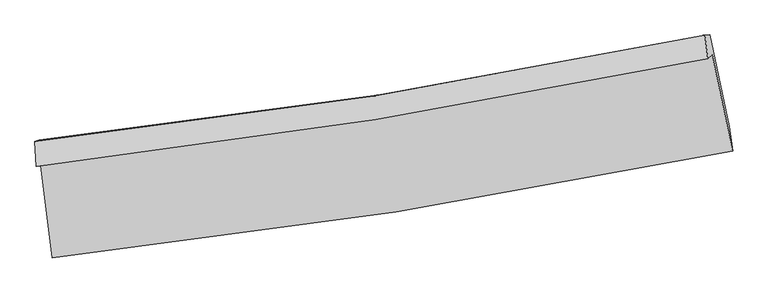
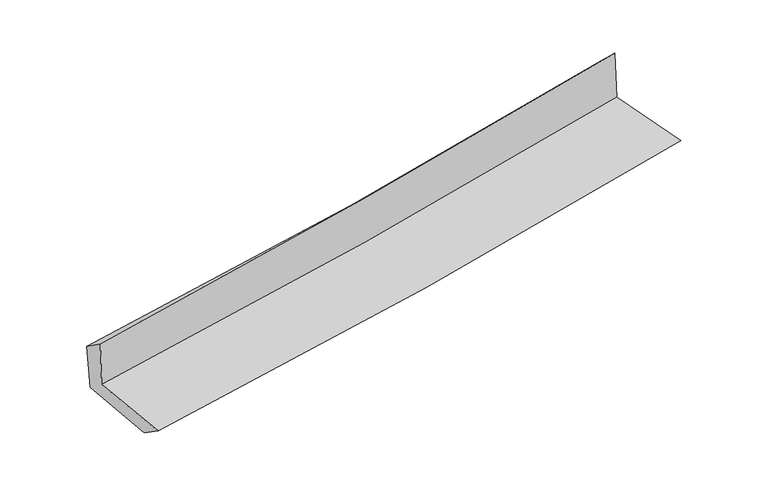
"""IFC4 building model written with IfcOpenShell, lengths in millimetres: proxy geometry."""

from ifc_helpers import new_model, si_unit, frame, origin, place, context, project, spatial, source, transform, mapped, element, save
from ifc_brep_helpers import plane_surface, spline_curve, spline_surface, advanced_brep


def generic_models_8a76d316(model_context):
    return source(origin(), model_context, "Body", "AdvancedBrep", [
        advanced_brep(
        [(-2328.2267931, -1852.7076515, 1698.6683015), (-2248.9089233, -2508.5178287, 1670.1689994), (2397.8148368, -1777.4941399, 2085.093026), (2259.0622844, -1121.3356725, 2108.8823824), (-2356.5167427, -1884.3888704, 2076.4504035), (2228.0992228, -1145.7215324, 2508.1193989), (-2366.1174496, -1712.4101448, 1951.7270378), (2208.969991, -987.7229601, 2355.6430452), (-2336.1892454, -1704.5591517, 1587.5924359), (2241.1912642, -984.5544113, 1991.4002745), (-2259.75074, -2330.4472169, 1551.6632527), (2374.5335623, -1611.3148767, 1959.7448122)],
        [
            (0, 1),
            (1, 2, spline_curve(3, [(-2248.9089233, -2508.5178287, 1670.1689994), (-1463.895978376, -2421.819333501, 1743.696846937), (-681.319617685, -2316.968261971, 1815.2789535), (867.517349853, -2072.76510359, 1953.530303241), (1633.848909573, -1933.941612435, 2020.256205467), (2397.8148368, -1777.4941399, 2085.093026)], [4, 2, 4], [0.0, 7.757099519170902, 15.40042293189053])),
            (2, 3),
            (3, 0, spline_curve(3, [(2259.0622844, -1121.3356725, 2108.8823824), (1505.031331621, -1274.102377549, 2045.048108318), (748.583936583, -1411.100485681, 1979.213900076), (-780.439946401, -1655.364092262, 1842.535857028), (-1553.088910465, -1762.156643763, 1771.63203828), (-2328.2267931, -1852.7076515, 1698.6683015)], [4, 2, 4], [0.0, 7.643323412719628, 15.40042293189053])),
            (4, 0),
            (3, 5),
            (5, 4, spline_curve(3, [(2228.0992228, -1145.7215324, 2508.1193989), (1474.044864151, -1300.660327549, 2449.271619022), (717.805159623, -1439.351501322, 2384.187488046), (-810.33461699, -1686.06126125, 2240.484869707), (-1582.300234671, -1793.59253369, 2161.679335564), (-2356.5167427, -1884.3888704, 2076.4504035)], [4, 2, 4], [0.0, 7.595716299809963, 15.304500041573602])),
            (6, 4),
            (5, 7),
            (7, 6, spline_curve(3, [(2208.969991, -987.7229601, 2355.6430452), (1457.927408241, -1144.020532184, 2291.019039835), (703.987071662, -1282.248250836, 2225.304161721), (-820.95516305, -1524.352614129, 2090.698211104), (-1592.04397317, -1627.687290154, 2021.774420049), (-2366.1174496, -1712.4101448, 1951.7270378)], [4, 2, 4], [0.0, 7.584902968286849, 15.282712414678008])),
            (8, 6),
            (7, 9),
            (9, 8, spline_curve(3, [(2241.1912642, -984.5544113, 1991.4002745), (1489.413033319, -1138.459698637, 1926.865339152), (734.913878967, -1275.097978782, 1861.204206312), (-790.79801549, -1515.61744741, 1726.635371519), (-1562.092364592, -1618.980747522, 1657.693891155), (-2336.1892454, -1704.5591517, 1587.5924359)], [4, 2, 4], [0.0, 7.57478780862412, 15.262331524269735])),
            (10, 8),
            (9, 11),
            (11, 10, spline_curve(3, [(2374.5335623, -1611.3148767, 1959.7448122), (1612.18333383, -1762.304787117, 1894.611027037), (847.686953153, -1897.402979621, 1828.297357142), (-697.01011158, -2137.590399241, 1692.305558638), (-1477.275165129, -2242.202986748, 1622.592042479), (-2259.75074, -2330.4472169, 1551.6632527)], [4, 2, 4], [0.0, 7.621505178510914, 15.356461684106343])),
            (1, 10),
            (11, 2),
        ],
        [
            spline_surface(3, 3, [[(-2328.2267931, -1852.7076515, 1698.6683015), (-1553.088910465, -1762.156643785, 1771.63203841), (-780.439946359, -1655.364092207, 1842.535857029), (748.583936542, -1411.100485735, 1979.213900075), (1505.031331649, -1274.102377643, 2045.048108387), (2259.0622844, -1121.3356725, 2108.8823824)], [(-2301.787503184, -2071.311043879, 1689.168534138), (-1523.357933084, -1982.044207013, 1762.320307941), (-747.399836826, -1875.898815432, 1833.450222512), (788.228407684, -1631.655358389, 1970.652701124), (1547.970524266, -1494.048789212, 2036.784140786), (2305.313135198, -1340.055161616, 2100.952596945)], [(-2275.348213216, -2289.914436321, 1679.668766762), (-1493.626955651, -2201.931770303, 1753.008577457), (-714.359727314, -2096.433538648, 1824.364588016), (827.872878805, -1852.210231034, 1962.091502193), (1590.909716889, -1713.995200833, 2028.52017315), (2351.563986002, -1558.774650784, 2093.022811455)], [(-2248.9089233, -2508.5178287, 1670.1689994), (-1463.895978271, -2421.819333531, 1743.696846989), (-681.319617781, -2316.968261873, 1815.278953499), (867.517349947, -2072.765103687, 1953.530303242), (1633.848909506, -1933.941612402, 2020.25620555), (2397.8148368, -1777.4941399, 2085.093026)]], [4, 4], [4, 2, 4], [0.0, 2.201625266679842], [0.0, 7.757099519170902, 15.40042293189053]),
            spline_surface(3, 3, [[(-2356.5167427, -1884.3888704, 2076.4504035), (-1582.300234581, -1793.592533745, 2161.679335479), (-810.334617117, -1686.061261371, 2240.484869605), (717.805159748, -1439.351501202, 2384.187488147), (1474.044864105, -1300.660327576, 2449.271619146), (2228.0992228, -1145.7215324, 2508.1193989)], [(-2347.086759493, -1873.8284641, 1950.523036159), (-1572.563126536, -1783.113903758, 2031.663569782), (-800.369726845, -1675.828871669, 2107.835198726), (728.064752032, -1429.934496066, 2249.196292102), (1484.373686597, -1291.807677601, 2314.5304489), (2238.420243311, -1137.592912436, 2375.040393406)], [(-2337.656776307, -1863.2680578, 1824.595668841), (-1562.82601851, -1772.635273772, 1901.647804107), (-790.404836631, -1665.596481909, 1975.185527908), (738.324344258, -1420.517490872, 2114.20509612), (1494.702509157, -1282.955027618, 2179.789278634), (2248.741263889, -1129.464292464, 2241.961387894)], [(-2328.2267931, -1852.7076515, 1698.6683015), (-1553.088910465, -1762.156643785, 1771.63203841), (-780.439946359, -1655.364092207, 1842.535857029), (748.583936542, -1411.100485735, 1979.213900075), (1505.031331649, -1274.102377643, 2045.048108387), (2259.0622844, -1121.3356725, 2108.8823824)]], [4, 4], [4, 2, 4], [0.0, 1.3242513756309957], [0.0, 7.708783741763639, 15.304500041573602]),
            spline_surface(3, 3, [[(-2366.1174496, -1712.4101448, 1951.7270378), (-1592.043973266, -1627.687290192, 2021.774420052), (-820.95516303, -1524.352614078, 2090.698211094), (703.987071642, -1282.248250887, 2225.304161731), (1457.927408263, -1144.020532124, 2291.019039829), (2208.969991, -987.7229601, 2355.6430452)], [(-2362.917213962, -1769.736386657, 1993.301493037), (-1588.796060366, -1682.989038033, 2068.409391864), (-817.414981068, -1578.255496495, 2140.627097259), (708.593101002, -1334.616000978, 2278.265270531), (1463.29989355, -1196.233797277, 2343.769899613), (2215.346401606, -1040.389150868, 2406.468496445)], [(-2359.716978338, -1827.062628543, 2034.875948263), (-1585.548147481, -1738.290785903, 2115.044363666), (-813.874799079, -1632.158378954, 2190.55598344), (713.199130389, -1386.983751111, 2331.226379347), (1468.672378818, -1248.447062424, 2396.520759363), (2221.722812194, -1093.055341632, 2457.293947655)], [(-2356.5167427, -1884.3888704, 2076.4504035), (-1582.300234581, -1793.592533745, 2161.679335479), (-810.334617117, -1686.061261371, 2240.484869605), (717.805159748, -1439.351501202, 2384.187488147), (1474.044864105, -1300.660327576, 2449.271619146), (2228.0992228, -1145.7215324, 2508.1193989)]], [4, 4], [4, 2, 4], [0.0, 0.72896855877789], [0.0, 7.697809446391158, 15.282712414678008]),
            spline_surface(3, 3, [[(-2336.1892454, -1704.5591517, 1587.5924359), (-1562.092364554, -1618.980747449, 1657.693891266), (-790.798015599, -1515.61744744, 1726.635371477), (734.913879074, -1275.097978752, 1861.204206353), (1489.413033319, -1138.459698624, 1926.865339029), (2241.1912642, -984.5544113, 1991.4002745)], [(-2346.165313456, -1707.176149402, 1708.97063652), (-1572.076234114, -1621.882928366, 1779.054067515), (-800.850398088, -1518.529169673, 1847.98965137), (724.604943251, -1277.481402818, 1982.570858167), (1478.917824983, -1140.313309778, 2048.249905955), (2230.450839816, -985.610594221, 2112.814531392)], [(-2356.141381544, -1709.793147098, 1830.34883718), (-1582.060103706, -1624.785109276, 1900.414243803), (-810.90278054, -1521.440891844, 1969.3439312), (714.296007465, -1279.864826821, 2103.937509917), (1468.422616599, -1142.16692097, 2169.634472903), (2219.710415384, -986.666777179, 2234.228788308)], [(-2366.1174496, -1712.4101448, 1951.7270378), (-1592.043973266, -1627.687290192, 2021.774420052), (-820.95516303, -1524.352614078, 2090.698211094), (703.987071642, -1282.248250887, 2225.304161731), (1457.927408263, -1144.020532124, 2291.019039829), (2208.969991, -987.7229601, 2355.6430452)]], [4, 4], [4, 2, 4], [0.0, 1.1989699394172961], [0.0, 7.687543715645615, 15.262331524269735]),
            spline_surface(3, 3, [[(-2259.75074, -2330.4472169, 1551.6632527), (-1477.275165029, -2242.202986793, 1622.592042406), (-697.010111545, -2137.590399243, 1692.305558752), (847.686953119, -1897.402979619, 1828.297357029), (1612.183333728, -1762.304787092, 1894.611027151), (2374.5335623, -1611.3148767, 1959.7448122)], [(-2285.230241813, -2121.817861857, 1563.639647117), (-1505.547564884, -2034.462240368, 1634.29265871), (-728.272746229, -1930.266081945, 1703.748829662), (810.095928438, -1689.9679793, 1839.266306805), (1571.259900241, -1554.356424289, 1905.362464434), (2330.086129583, -1402.394721587, 1970.296632958)], [(-2310.709743587, -1913.188506743, 1575.616041483), (-1533.819964699, -1826.721493874, 1645.993274963), (-759.535380915, -1722.941764738, 1715.192100567), (772.504903755, -1482.532979071, 1850.235256577), (1530.336466805, -1346.408061426, 1916.113901745), (2285.638696917, -1193.474566413, 1980.848453742)], [(-2336.1892454, -1704.5591517, 1587.5924359), (-1562.092364554, -1618.980747449, 1657.693891266), (-790.798015599, -1515.61744744, 1726.635371477), (734.913879074, -1275.097978752, 1861.204206353), (1489.413033319, -1138.459698624, 1926.865339029), (2241.1912642, -984.5544113, 1991.4002745)]], [4, 4], [4, 2, 4], [0.0, 2.07193017747338], [0.0, 7.734956505595429, 15.356461684106343]),
            spline_surface(3, 3, [[(-2248.9089233, -2508.5178287, 1670.1689994), (-1463.895978271, -2421.819333531, 1743.696846989), (-681.319617781, -2316.968261873, 1815.278953499), (867.517349947, -2072.765103687, 1953.530303242), (1633.848909506, -1933.941612402, 2020.25620555), (2397.8148368, -1777.4941399, 2085.093026)], [(-2252.522862191, -2449.160958105, 1630.667083828), (-1468.355707181, -2361.947217956, 1703.32857879), (-686.549782374, -2257.175640996, 1774.287821927), (860.907217666, -2014.311062331, 1911.785987848), (1626.627050934, -1876.729337303, 1978.374479404), (2390.054411987, -1722.101052172, 2043.310288054)], [(-2256.136801109, -2389.804087495, 1591.165168272), (-1472.815436118, -2302.075102368, 1662.960310605), (-691.779946952, -2197.383020119, 1733.296690324), (854.2970854, -1955.857020974, 1870.041672423), (1619.405192301, -1819.51706219, 1936.492753297), (2382.293987113, -1666.707964428, 2001.527550146)], [(-2259.75074, -2330.4472169, 1551.6632527), (-1477.275165029, -2242.202986793, 1622.592042406), (-697.010111545, -2137.590399243, 1692.305558752), (847.686953119, -1897.402979619, 1828.297357029), (1612.183333728, -1762.304787092, 1894.611027151), (2374.5335623, -1611.3148767, 1959.7448122)]], [4, 4], [4, 2, 4], [0.0, 0.7126472798533919], [0.0, 7.793580563031329, 15.472849939312432]),
            plane_surface(frame((2284.9451936, -1271.3572655, 2168.1471565), z_axis=(0.975207578805909, 0.20302758574098884, 0.08803395746927674), x_axis=(-0.08811357332885841, -0.008664839297096147, 0.9960727477223617))),
            plane_surface(frame((-2315.951649, -1998.8384773, 1756.0450718), z_axis=(-0.9896973234023305, -0.11605667263194251, -0.0838454339118421), x_axis=(-0.11995978318152523, 0.9918426567550394, 0.04310214217584578))),
        ],
        [
            (0, [[1, 2, 3, 4]]),
            (1, [[5, -4, 6, 7]]),
            (2, [[8, -7, 9, 10]]),
            (3, [[11, -10, 12, 13]]),
            (4, [[14, -13, 15, 16]]),
            (5, [[17, -16, 18, -2]]),
            (6, [[-12, -9, -6, -3, -18, -15]]),
            (7, [[-1, -5, -8, -11, -14, -17]]),
        ],
    ),
    ])


if __name__ == "__main__":
    model = new_model("IFC4")
    model_context = context("Model", 3, world=origin())
    ifc_project = project(units=[si_unit("LENGTHUNIT", "METRE", prefix="MILLI")], contexts=[model_context])
    site = spatial("IfcSite", under=ifc_project)
    building = spatial("IfcBuilding", under=site)
    placement = place(None, origin())
    generic_models_shape = generic_models_8a76d316(model_context)
    element("IfcBuildingElementProxy", 1, Name="Generic Models", at=placement, inside=building, context=model_context, shape_type="MappedRepresentation", body=[
        mapped(generic_models_shape, transform((0.0, 0.0, 0.0), x_axis=(1.0, 0.0, 0.0), y_axis=(0.0, 1.0, 0.0), z_axis=(0.0, 0.0, 1.0))),
    ])
    save(model, "model.ifc")
